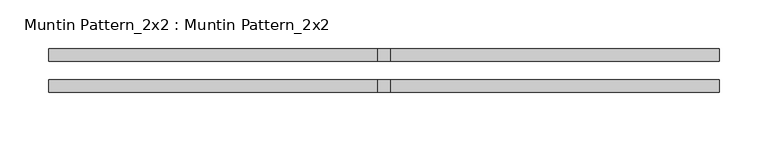
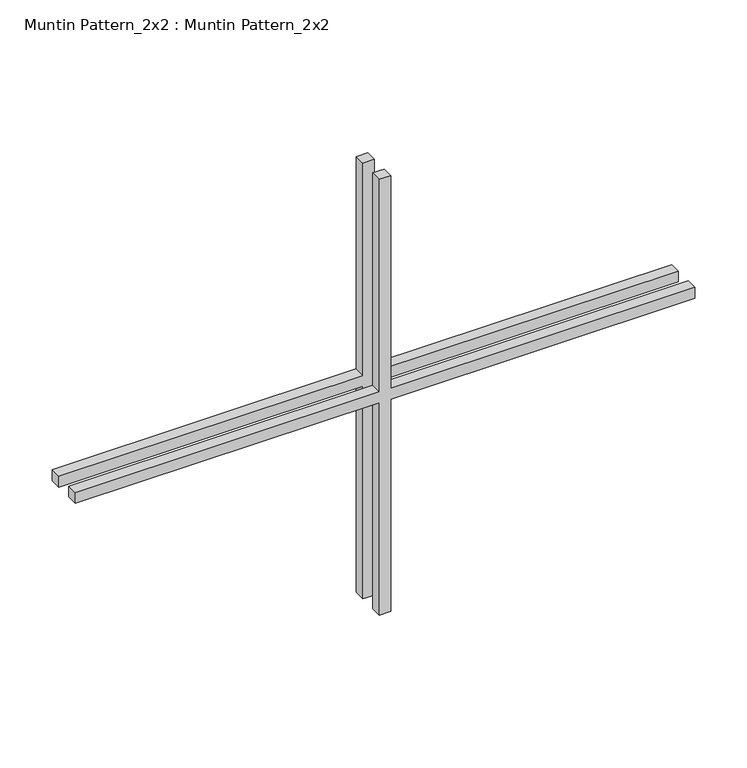
"""IFC4 building model written with IfcOpenShell, lengths in millimetres: proxy geometry, Muntin Pattern_2x2 : Muntin Pattern_2x2."""

from ifc_helpers import new_model, si_unit, frame, origin, place, context, project, spatial, polyline, outline, extrude, source, transform, mapped, element, save


def muntin_pattern_2x2_muntin_pattern_2x2_448a2836(model_context):
    return source(origin(), model_context, "Body", "SweptSolid", [
        extrude(outline(polyline([(261.9375, -6.35), (261.9375, -343.69375), (249.2375, -343.69375), (249.2375, -6.35), (0.0, -6.35), (0.0, 6.35), (249.2375, 6.35), (249.2375, 343.69375), (261.9375, 343.69375), (261.9375, 6.35), (511.175, 6.35), (511.175, -6.35), (261.9375, -6.35)])), frame((0.0, -22.225, 0.0), z_axis=(0.0, 1.0, 0.0), x_axis=(0.0, 0.0, 1.0)), (0.0, 0.0, 1.0), 12.7),
        extrude(outline(polyline([(261.9375, -6.35), (261.9375, -343.69375), (249.2375, -343.69375), (249.2375, -6.35), (0.0, -6.35), (0.0, 6.35), (249.2375, 6.35), (249.2375, 343.69375), (261.9375, 343.69375), (261.9375, 6.35), (511.175, 6.35), (511.175, -6.35), (261.9375, -6.35)])), frame((0.0, 9.525, 0.0), z_axis=(0.0, 1.0, 0.0), x_axis=(0.0, 0.0, 1.0)), (0.0, 0.0, 1.0), 12.7),
    ])


if __name__ == "__main__":
    model = new_model("IFC4")
    model_context = context("Model", 3, world=origin())
    ifc_project = project(units=[si_unit("LENGTHUNIT", "METRE", prefix="MILLI")], contexts=[model_context])
    site = spatial("IfcSite", under=ifc_project)
    building = spatial("IfcBuilding", under=site)
    placement = place(None, origin())
    muntin_pattern_2x2_muntin_pattern_2x2_shape = muntin_pattern_2x2_muntin_pattern_2x2_448a2836(model_context)
    element("IfcBuildingElementProxy", 1, Name="Muntin Pattern_2x2 : Muntin Pattern_2x2", ObjectType="Muntin Pattern_2x2 : Muntin Pattern_2x2", at=placement, inside=building, context=model_context, shape_type="MappedRepresentation", body=[
        mapped(muntin_pattern_2x2_muntin_pattern_2x2_shape, transform((0.0, 0.0, 0.0), x_axis=(1.0, 0.0, 0.0), y_axis=(0.0, 1.0, 0.0), z_axis=(0.0, 0.0, 1.0))),
    ])
    save(model, "model.ifc")
